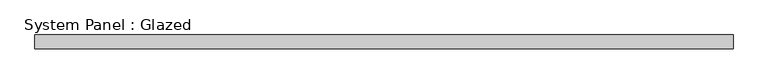
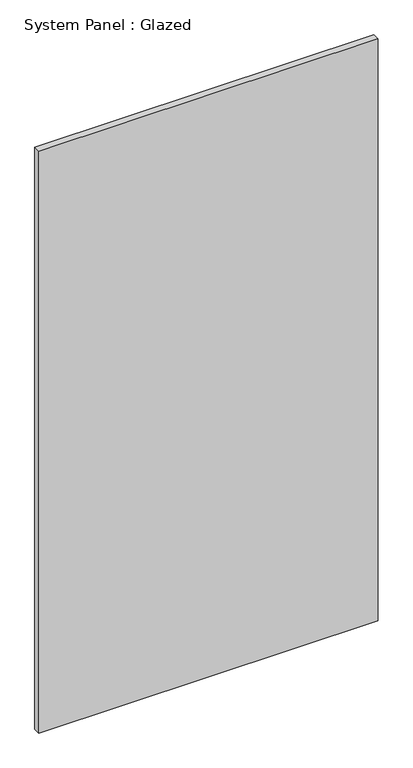
"""IFC4 building model written with IfcOpenShell, lengths in millimetres: plate geometry, System Panel : Glazed."""

from ifc_helpers import new_model, si_unit, origin, origin_with_axes, place, context, project, spatial, polyline, outline, extrude, source, transform, mapped, element, save


def system_panel_glazed_2ecf9033(model_context):
    return source(origin(), model_context, "Body", "SweptSolid", [
        extrude(outline(polyline([(641.6666666, 24.5), (-641.6666666, 24.5), (-641.6666666, 49.5), (641.6666666, 49.5), (641.6666666, 24.5)])), origin_with_axes(), (0.0, 0.0, 1.0), 2325.0),
    ])


if __name__ == "__main__":
    model = new_model("IFC4")
    model_context = context("Model", 3, world=origin())
    ifc_project = project(units=[si_unit("LENGTHUNIT", "METRE", prefix="MILLI")], contexts=[model_context])
    site = spatial("IfcSite", under=ifc_project)
    building = spatial("IfcBuilding", under=site)
    placement = place(None, origin())
    system_panel_glazed_shape = system_panel_glazed_2ecf9033(model_context)
    element("IfcPlate", 1, ObjectType="System Panel : Glazed", at=placement, inside=building, context=model_context, shape_type="MappedRepresentation", body=[
        mapped(system_panel_glazed_shape, transform((0.0, 0.0, 0.0), x_axis=(1.0, 0.0, 0.0), y_axis=(0.0, 1.0, 0.0), z_axis=(0.0, 0.0, 1.0))),
    ])
    save(model, "model.ifc")
